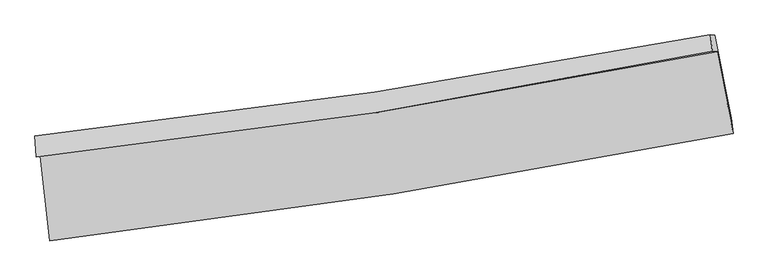
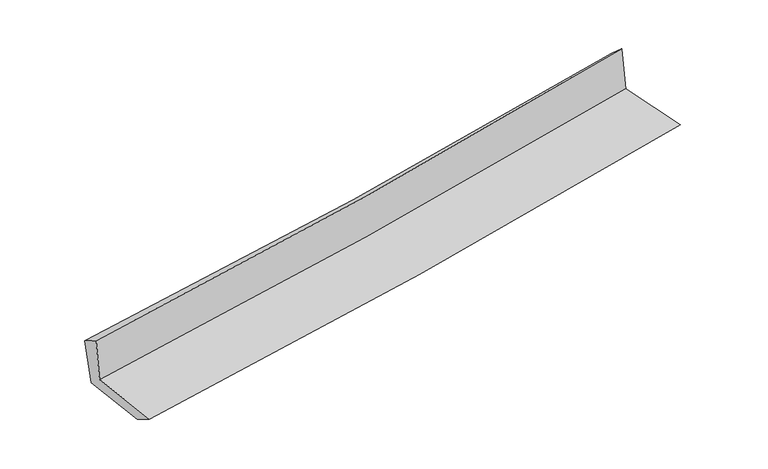
"""IFC4 building model written with IfcOpenShell, lengths in millimetres: proxy geometry."""

from ifc_helpers import new_model, si_unit, frame, origin, place, context, project, spatial, source, transform, mapped, element, save
from ifc_brep_helpers import plane_surface, spline_curve, spline_surface, advanced_brep


def generic_models_03930640(model_context):
    return source(origin(), model_context, "Body", "AdvancedBrep", [
        advanced_brep(
        [(-2710.686021, -1898.1889919, 1647.9533501), (-2637.9189505, -2571.637992, 1643.4129995), (2781.5040737, -1720.0980593, 2116.5827754), (2654.0633204, -1069.4617234, 2123.0426404), (-2745.1822901, -1904.6000389, 2046.0108785), (2616.8499122, -1062.7743267, 2522.9176501), (-2754.0845474, -1738.3210112, 1944.5842085), (2602.3156122, -934.6141456, 2406.5025497), (-2714.9418996, -1770.1995462, 1540.5085462), (2636.9428242, -936.2796463, 2024.5228365), (-2647.3329982, -2395.910416, 1536.290043), (2767.0765082, -1594.3634347, 2004.2455314)],
        [
            (0, 1),
            (1, 2, spline_curve(3, [(-2637.9189505, -2571.637992, 1643.4129995), (-1726.824957343, -2465.503699467, 1724.551050612), (-818.384657319, -2341.222040438, 1804.659928763), (988.059717021, -2057.170466166, 1962.371565327), (1886.093758561, -1897.60548096, 2039.985945819), (2781.5040737, -1720.0980593, 2116.5827754)], [4, 2, 4], [0.0, 9.013102160821173, 17.975169399493314])),
            (2, 3),
            (3, 0, spline_curve(3, [(2654.0633204, -1069.4617234, 2123.0426404), (1767.560259899, -1238.837086236, 2043.839507235), (878.522795717, -1392.434221815, 1964.759222398), (-909.698037919, -1668.856856178, 1806.394722289), (-1808.910354502, -1791.502143327, 1727.111910668), (-2710.686021, -1898.1889919, 1647.9533501)], [4, 2, 4], [0.0, 8.962067238672141, 17.975169399493314])),
            (4, 0),
            (3, 5),
            (5, 4, spline_curve(3, [(2616.8499122, -1062.7743267, 2522.9176501), (1732.503926677, -1249.653426343, 2452.282609679), (844.773206724, -1413.112626391, 2377.347936814), (-942.532201861, -1693.98868833, 2218.428121026), (-1842.145549339, -1811.138058944, 2134.393870465), (-2745.1822901, -1904.6000389, 2046.0108785)], [4, 2, 4], [0.0, 8.915632144101245, 17.882034783476193])),
            (6, 4),
            (5, 7),
            (7, 6, spline_curve(3, [(2602.3156122, -934.6141456, 2406.5025497), (1717.379125043, -1102.936523853, 2330.13186487), (829.818991445, -1253.93246215, 2253.563180825), (-955.617762316, -1522.032644821, 2099.592661809), (-1853.524348721, -1638.938995451, 2022.188565623), (-2754.0845474, -1738.3210112, 1944.5842085)], [4, 2, 4], [0.0, 8.905068452396426, 17.86084724461699])),
            (8, 6),
            (7, 9),
            (9, 8, spline_curve(3, [(2636.9428242, -936.2796463, 2024.5228365), (1753.503356332, -1116.083163732, 1951.73263458), (867.068010447, -1275.339446027, 1875.128386489), (-916.859346854, -1553.547426705, 1713.833852073), (-1814.385575334, -1672.26444433, 1629.100003397), (-2714.9418996, -1770.1995462, 1540.5085462)], [4, 2, 4], [0.0, 8.896045773394581, 17.842750506534557])),
            (10, 8),
            (9, 11),
            (11, 10, spline_curve(3, [(2767.0765082, -1594.3634347, 2004.2455314), (1871.440174727, -1759.785211729, 1927.383004817), (973.708227341, -1909.147761658, 1850.067458408), (-831.071006388, -2176.513509715, 1694.08746996), (-1738.142227838, -2294.333286699, 1615.417853407), (-2647.3329982, -2395.910416, 1536.290043)], [4, 2, 4], [0.0, 8.942765076452531, 17.93645515796466])),
            (1, 10),
            (11, 2),
        ],
        [
            spline_surface(3, 3, [[(-2710.686021, -1898.1889919, 1647.9533501), (-1808.91035436, -1791.502143182, 1727.111910521), (-909.698037959, -1668.856856117, 1806.394722406), (878.522795756, -1392.434221876, 1964.759222281), (1767.560259826, -1238.837086132, 2043.839507177), (2654.0633204, -1069.4617234, 2123.0426404)], [(-2686.43033082, -2122.671991948, 1646.439899891), (-1781.548555343, -2016.169328596, 1726.258290562), (-879.260244454, -1892.978584214, 1805.816457837), (915.035102836, -1614.012969981, 1963.963336642), (1807.071426063, -1458.426551083, 2042.554986778), (2696.54357151, -1286.34050204, 2120.889352081)], [(-2662.17464068, -2347.154991952, 1644.926449709), (-1754.186756365, -2240.836513965, 1725.404670629), (-848.822450874, -2117.100312314, 1805.238193281), (951.547409991, -1835.591718088, 1963.167451017), (1846.58259227, -1678.016016015, 2041.270466334), (2739.02382259, -1503.21928066, 2118.736063719)], [(-2637.9189505, -2571.637992, 1643.4129995), (-1726.824957348, -2465.503699379, 1724.55105067), (-818.38465737, -2341.222040412, 1804.659928712), (988.059717072, -2057.170466192, 1962.371565378), (1886.093758506, -1897.605480966, 2039.985945935), (2781.5040737, -1720.0980593, 2116.5827754)]], [4, 4], [4, 2, 4], [0.0, 2.218071038348042], [0.0, 9.013102160821173, 17.975169399493314]),
            spline_surface(3, 3, [[(-2745.1822901, -1904.6000389, 2046.0108785), (-1842.145549337, -1811.138058807, 2134.393870434), (-942.532201874, -1693.988688203, 2218.428121175), (844.773206737, -1413.112626517, 2377.347936666), (1732.503926701, -1249.653426408, 2452.282609825), (2616.8499122, -1062.7743267, 2522.9176501)], [(-2733.683533726, -1902.463023231, 1913.32503569), (-1831.067151004, -1804.592753596, 1998.63321712), (-931.587480547, -1685.611410852, 2081.08365492), (856.023069765, -1406.219824982, 2239.818365206), (1744.189371078, -1246.047979645, 2316.134908942), (2629.254381602, -1065.003458929, 2389.625980199)], [(-2722.184777374, -1900.326007569, 1780.63919291), (-1819.988752694, -1798.047448393, 1862.872563835), (-920.642759285, -1677.234133468, 1943.739188661), (867.272932728, -1399.327023412, 2102.288793741), (1755.874815449, -1242.442532895, 2179.98720806), (2641.658850998, -1067.232591171, 2256.334310301)], [(-2710.686021, -1898.1889919, 1647.9533501), (-1808.91035436, -1791.502143182, 1727.111910521), (-909.698037959, -1668.856856117, 1806.394722406), (878.522795756, -1392.434221876, 1964.759222281), (1767.560259826, -1238.837086132, 2043.839507177), (2654.0633204, -1069.4617234, 2123.0426404)]], [4, 4], [4, 2, 4], [0.0, 1.3592041417993568], [0.0, 8.966402639374948, 17.882034783476193]),
            spline_surface(3, 3, [[(-2754.0845474, -1738.3210112, 1944.5842085), (-1853.524348702, -1638.938995395, 2022.188565648), (-955.617762344, -1522.03264494, 2099.592661845), (829.818991474, -1253.932462032, 2253.563180789), (1717.379125002, -1102.936523999, 2330.131864991), (2602.3156122, -934.6141456, 2406.5025497)], [(-2751.117128313, -1793.747353762, 1978.39309851), (-1849.731415593, -1696.338683195, 2059.59033392), (-951.25590887, -1579.351326031, 2139.204481626), (834.803729879, -1306.992516864, 2294.824766086), (1722.420725568, -1151.842158143, 2370.848779929), (2607.160378867, -977.334205975, 2445.30758316)], [(-2748.149709187, -1849.173696338, 2012.20198849), (-1845.938482446, -1753.738371007, 2096.992102162), (-946.894055348, -1636.670007112, 2178.816301393), (839.788468332, -1360.052571686, 2336.086351369), (1727.462326134, -1200.747792264, 2411.565694887), (2612.005145533, -1020.054266325, 2484.11261664)], [(-2745.1822901, -1904.6000389, 2046.0108785), (-1842.145549337, -1811.138058807, 2134.393870434), (-942.532201874, -1693.988688203, 2218.428121175), (844.773206737, -1413.112626517, 2377.347936666), (1732.503926701, -1249.653426408, 2452.282609825), (2616.8499122, -1062.7743267, 2522.9176501)]], [4, 4], [4, 2, 4], [0.0, 0.675039306402122], [0.0, 8.955778792220565, 17.86084724461699]),
            spline_surface(3, 3, [[(-2714.9418996, -1770.1995462, 1540.5085462), (-1814.385575349, -1672.264444261, 1629.100003354), (-916.859346747, -1553.547426719, 1713.833851995), (867.06801034, -1275.339446012, 1875.128386567), (1753.503356376, -1116.083163601, 1951.732634641), (2636.9428242, -936.2796463, 2024.5228365)], [(-2727.989448878, -1759.573367882, 1675.200433644), (-1827.431833145, -1661.155961321, 1760.129524129), (-929.778818619, -1543.042499449, 1842.420121943), (854.651670712, -1268.203784675, 2001.273317973), (1741.461945916, -1111.7009504, 2077.865711408), (2625.400420198, -935.7244794, 2151.849407551)], [(-2741.036998122, -1748.947189518, 1809.892321056), (-1840.478090906, -1650.047478335, 1891.159044873), (-942.698290472, -1532.537572211, 1971.006391896), (842.235331102, -1261.06812337, 2127.418249384), (1729.420535462, -1107.3187372, 2203.998788224), (2613.858016202, -935.1693125, 2279.175978649)], [(-2754.0845474, -1738.3210112, 1944.5842085), (-1853.524348702, -1638.938995395, 2022.188565648), (-955.617762344, -1522.03264494, 2099.592661845), (829.818991474, -1253.932462032, 2253.563180789), (1717.379125002, -1102.936523999, 2330.131864991), (2602.3156122, -934.6141456, 2406.5025497)]], [4, 4], [4, 2, 4], [0.0, 1.2628473381092562], [0.0, 8.946704733139976, 17.842750506534557]),
            spline_surface(3, 3, [[(-2647.3329982, -2395.910416, 1536.290043), (-1738.142227756, -2294.333286749, 1615.417853301), (-831.071006378, -2176.513509658, 1694.087469867), (973.70822733, -1909.147761714, 1850.067458501), (1871.440174728, -1759.785211702, 1927.383004719), (2767.0765082, -1594.3634347, 2004.2455314)], [(-2669.869298644, -2187.340126052, 1537.696210723), (-1763.556676931, -2086.977005905, 1619.978569975), (-859.66711984, -1968.858148706, 1700.669597262), (938.161488328, -1697.878323174, 1858.421101209), (1832.127901936, -1545.217862312, 1935.499548034), (2723.698613525, -1375.002171877, 2011.004633108)], [(-2692.405599156, -1978.769836148, 1539.102378477), (-1788.971126174, -1879.620725104, 1624.539286681), (-888.263233284, -1761.202787671, 1707.2517246), (902.614749343, -1486.608884552, 1866.774743859), (1792.815629169, -1330.650512991, 1943.616091325), (2680.320718875, -1155.640909123, 2017.763734792)], [(-2714.9418996, -1770.1995462, 1540.5085462), (-1814.385575349, -1672.264444261, 1629.100003354), (-916.859346747, -1553.547426719, 1713.833851995), (867.06801034, -1275.339446012, 1875.128386567), (1753.503356376, -1116.083163601, 1951.732634641), (2636.9428242, -936.2796463, 2024.5228365)]], [4, 4], [4, 2, 4], [0.0, 2.086828164667898], [0.0, 8.993690081512128, 17.93645515796466]),
            spline_surface(3, 3, [[(-2637.9189505, -2571.637992, 1643.4129995), (-1726.824957348, -2465.503699379, 1724.55105067), (-818.38465737, -2341.222040412, 1804.659928712), (988.059717072, -2057.170466192, 1962.371565378), (1886.093758506, -1897.605480966, 2039.985945935), (2781.5040737, -1720.0980593, 2116.5827754)], [(-2641.056966419, -2513.062133324, 1607.705347343), (-1730.597380836, -2408.44689516, 1688.173318223), (-822.613440341, -2286.319196796, 1767.802442411), (983.275887189, -2007.829564669, 1924.936863066), (1881.209230579, -1851.665391224, 2002.451632197), (2776.694885199, -1678.186517779, 2079.137027401)], [(-2644.194982281, -2454.486274676, 1571.997695157), (-1734.369804268, -2351.390090968, 1651.795585748), (-826.842223406, -2231.416353273, 1730.944956168), (978.492057213, -1958.488663237, 1887.502160812), (1876.324702655, -1805.725301444, 1964.917318457), (2771.885696701, -1636.274976221, 2041.691279399)], [(-2647.3329982, -2395.910416, 1536.290043), (-1738.142227756, -2294.333286749, 1615.417853301), (-831.071006378, -2176.513509658, 1694.087469867), (973.70822733, -1909.147761714, 1850.067458501), (1871.440174728, -1759.785211702, 1927.383004719), (2767.0765082, -1594.3634347, 2004.2455314)]], [4, 4], [4, 2, 4], [0.0, 0.6316365368289932], [0.0, 9.049441163587888, 18.047641642555167]),
            plane_surface(frame((2676.4587085, -1219.598556, 2199.6356639), z_axis=(0.9777262568286329, 0.1906364237679251, 0.0878015981679523), x_axis=(-0.0902809161164462, 0.004342334259238064, 0.9959068733161531))),
            plane_surface(frame((-2701.6911178, -2046.4763327, 1726.4600043), z_axis=(-0.9904584005220353, -0.10643011446727979, -0.08754877252031434), x_axis=(-0.10742364735514155, 0.9941907426883272, 0.006702771199355509))),
        ],
        [
            (0, [[1, 2, 3, 4]]),
            (1, [[5, -4, 6, 7]]),
            (2, [[8, -7, 9, 10]]),
            (3, [[11, -10, 12, 13]]),
            (4, [[14, -13, 15, 16]]),
            (5, [[17, -16, 18, -2]]),
            (6, [[-12, -9, -6, -3, -18, -15]]),
            (7, [[-1, -5, -8, -11, -14, -17]]),
        ],
    ),
    ])


if __name__ == "__main__":
    model = new_model("IFC4")
    model_context = context("Model", 3, world=origin())
    ifc_project = project(units=[si_unit("LENGTHUNIT", "METRE", prefix="MILLI")], contexts=[model_context])
    site = spatial("IfcSite", under=ifc_project)
    building = spatial("IfcBuilding", under=site)
    placement = place(None, origin())
    generic_models_shape = generic_models_03930640(model_context)
    element("IfcBuildingElementProxy", 1, Name="Generic Models", at=placement, inside=building, context=model_context, shape_type="MappedRepresentation", body=[
        mapped(generic_models_shape, transform((0.0, 0.0, 0.0), x_axis=(1.0, 0.0, 0.0), y_axis=(0.0, 1.0, 0.0), z_axis=(0.0, 0.0, 1.0))),
    ])
    save(model, "model.ifc")
